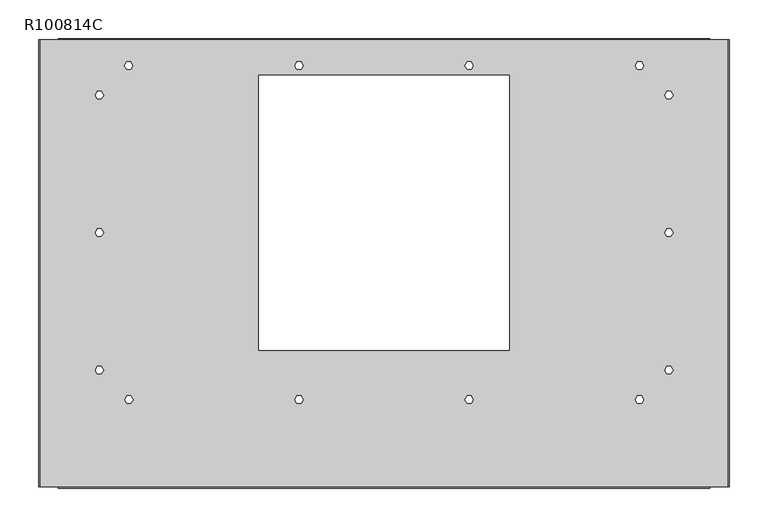
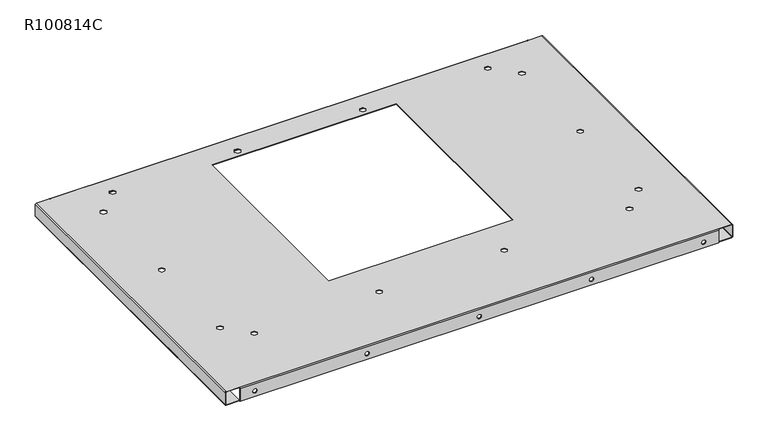
"""IFC4 building model written with IfcOpenShell, lengths in millimetres: proxy geometry, R100814C."""

from ifc_helpers import new_model, si_unit, frame, origin, place, context, project, spatial, polyline, circle_curve, source, transform, mapped, element, save
from ifc_brep_helpers import plane_surface, cylinder_surface, revolved_surface, advanced_brep


def r100814c_314beac8(model_context):
    return source(origin(), model_context, "Body", "AdvancedBrep", [
        advanced_brep(
        [(-0.5847769, -562.6175782, -14.38656), (-0.5847769, -561.7641382, -14.38656), (-7.8237769, -561.7641382, -14.38656), (-7.8237769, -562.6175782, -14.38656), (394.3852231, -562.6175782, -14.38656), (394.3852231, -561.7641382, -14.38656), (387.1462231, -561.7641382, -14.38656), (387.1462231, -562.6175782, -14.38656), (789.3552231, -562.6175782, -14.38656), (789.3552231, -561.7641382, -14.38656), (782.1162231, -561.7641382, -14.38656), (782.1162231, -562.6175782, -14.38656), (591.8702231, -562.6175782, -14.38656), (591.8702231, -561.7641382, -14.38656), (584.6312231, -561.7641382, -14.38656), (584.6312231, -562.6175782, -14.38656), (196.9002231, -562.6175782, -14.38656), (196.9002231, -561.7641382, -14.38656), (189.6612231, -561.7641382, -14.38656), (189.6612231, -562.6175782, -14.38656), (503.6573737, -20.9498782, 0.85344), (506.4070044, -16.1873782, 0.85344), (506.4070044, -16.1873782, 0.0), (503.6573737, -20.9498782, 0.0), (503.6573737, -11.4248782, 0.85344), (503.6573737, -11.4248782, 0.0), (498.1581124, -11.4248782, 0.85344), (498.1581124, -11.4248782, 0.0), (495.4084818, -16.1873782, 0.85344), (495.4084818, -16.1873782, 0.0), (498.1581124, -20.9498782, 0.85344), (498.1581124, -20.9498782, 0.0), (761.8915537, -59.0498782, 0.85344), (764.6411844, -54.2873782, 0.85344), (764.6411844, -54.2873782, 0.0), (761.8915537, -59.0498782, 0.0), (761.8915537, -49.5248782, 0.85344), (761.8915537, -49.5248782, 0.0), (756.3922924, -49.5248782, 0.85344), (756.3922924, -49.5248782, 0.0), (753.6426618, -54.2873782, 0.85344), (753.6426618, -54.2873782, 0.0), (756.3922924, -59.0498782, 0.85344), (756.3922924, -59.0498782, 0.0), (761.8915537, -414.6498782, 0.85344), (764.6411844, -409.8873782, 0.85344), (764.6411844, -409.8873782, 0.0), (761.8915537, -414.6498782, 0.0), (761.8915537, -405.1248782, 0.85344), (761.8915537, -405.1248782, 0.0), (756.3922924, -405.1248782, 0.85344), (756.3922924, -405.1248782, 0.0), (753.6426618, -409.8873782, 0.85344), (753.6426618, -409.8873782, 0.0), (756.3922924, -414.6498782, 0.85344), (756.3922924, -414.6498782, 0.0), (503.7081737, -452.7498782, 0.85344), (506.4578044, -447.9873782, 0.85344), (506.4578044, -447.9873782, 0.0), (503.7081737, -452.7498782, 0.0), (503.7081737, -443.2248782, 0.85344), (503.7081737, -443.2248782, 0.0), (498.2089124, -443.2248782, 0.85344), (498.2089124, -443.2248782, 0.0), (495.4592818, -447.9873782, 0.85344), (495.4592818, -447.9873782, 0.0), (498.2089124, -452.7498782, 0.85344), (498.2089124, -452.7498782, 0.0), (63.4423537, -452.7498782, 0.85344), (66.1919844, -447.9873782, 0.85344), (66.1919844, -447.9873782, 0.0), (63.4423537, -452.7498782, 0.0), (63.4423537, -443.2248782, 0.85344), (63.4423537, -443.2248782, 0.0), (57.9430924, -443.2248782, 0.85344), (57.9430924, -443.2248782, 0.0), (55.1934618, -447.9873782, 0.85344), (55.1934618, -447.9873782, 0.0), (57.9430924, -452.7498782, 0.85344), (57.9430924, -452.7498782, 0.0), (25.2915537, -236.8498782, 0.85344), (28.0411844, -232.0873782, 0.85344), (28.0411844, -232.0873782, 0.0), (25.2915537, -236.8498782, 0.0), (25.2915537, -227.3248782, 0.85344), (25.2915537, -227.3248782, 0.0), (19.7922924, -227.3248782, 0.85344), (19.7922924, -227.3248782, 0.0), (17.0426618, -232.0873782, 0.85344), (17.0426618, -232.0873782, 0.0), (19.7922924, -236.8498782, 0.85344), (19.7922924, -236.8498782, 0.0), (63.3915537, -20.9498782, 0.85344), (66.1411844, -16.1873782, 0.85344), (66.1411844, -16.1873782, 0.0), (63.3915537, -20.9498782, 0.0), (63.3915537, -11.4248782, 0.85344), (63.3915537, -11.4248782, 0.0), (57.8922924, -11.4248782, 0.85344), (57.8922924, -11.4248782, 0.0), (55.1426618, -16.1873782, 0.85344), (55.1426618, -16.1873782, 0.0), (57.8922924, -20.9498782, 0.85344), (57.8922924, -20.9498782, 0.0), (25.2915537, -59.0498782, 0.85344), (28.0411844, -54.2873782, 0.85344), (28.0411844, -54.2873782, 0.0), (25.2915537, -59.0498782, 0.0), (25.2915537, -49.5248782, 0.85344), (25.2915537, -49.5248782, 0.0), (19.7922924, -49.5248782, 0.85344), (19.7922924, -49.5248782, 0.0), (17.0426618, -54.2873782, 0.85344), (17.0426618, -54.2873782, 0.0), (19.7922924, -59.0498782, 0.85344), (19.7922924, -59.0498782, 0.0), (25.2915537, -414.6498782, 0.85344), (28.0411844, -409.8873782, 0.85344), (28.0411844, -409.8873782, 0.0), (25.2915537, -414.6498782, 0.0), (25.2915537, -405.1248782, 0.85344), (25.2915537, -405.1248782, 0.0), (19.7922924, -405.1248782, 0.85344), (19.7922924, -405.1248782, 0.0), (17.0426618, -409.8873782, 0.85344), (17.0426618, -409.8873782, 0.0), (19.7922924, -414.6498782, 0.85344), (19.7922924, -414.6498782, 0.0), (283.5739937, -452.7498782, 0.85344), (286.3236244, -447.9873782, 0.85344), (286.3236244, -447.9873782, 0.0), (283.5739937, -452.7498782, 0.0), (283.5739937, -443.2248782, 0.85344), (283.5739937, -443.2248782, 0.0), (278.0747324, -443.2248782, 0.85344), (278.0747324, -443.2248782, 0.0), (275.3251018, -447.9873782, 0.85344), (275.3251018, -447.9873782, 0.0), (278.0747324, -452.7498782, 0.85344), (278.0747324, -452.7498782, 0.0), (723.8423537, -452.7498782, 0.85344), (726.5919844, -447.9873782, 0.85344), (726.5919844, -447.9873782, 0.0), (723.8423537, -452.7498782, 0.0), (723.8423537, -443.2248782, 0.85344), (723.8423537, -443.2248782, 0.0), (718.3430924, -443.2248782, 0.85344), (718.3430924, -443.2248782, 0.0), (715.5934618, -447.9873782, 0.85344), (715.5934618, -447.9873782, 0.0), (718.3430924, -452.7498782, 0.85344), (718.3430924, -452.7498782, 0.0), (761.8915537, -236.8498782, 0.85344), (764.6411844, -232.0873782, 0.85344), (764.6411844, -232.0873782, 0.0), (761.8915537, -236.8498782, 0.0), (761.8915537, -227.3248782, 0.85344), (761.8915537, -227.3248782, 0.0), (756.3922924, -227.3248782, 0.85344), (756.3922924, -227.3248782, 0.0), (753.6426618, -232.0873782, 0.85344), (753.6426618, -232.0873782, 0.0), (756.3922924, -236.8498782, 0.85344), (756.3922924, -236.8498782, 0.0), (723.7915537, -20.9498782, 0.85344), (726.5411844, -16.1873782, 0.85344), (726.5411844, -16.1873782, 0.0), (723.7915537, -20.9498782, 0.0), (723.7915537, -11.4248782, 0.85344), (723.7915537, -11.4248782, 0.0), (718.2922924, -11.4248782, 0.85344), (718.2922924, -11.4248782, 0.0), (715.5426618, -16.1873782, 0.85344), (715.5426618, -16.1873782, 0.0), (718.2922924, -20.9498782, 0.85344), (718.2922924, -20.9498782, 0.0), (283.5231937, -20.9498782, 0.85344), (286.2728244, -16.1873782, 0.85344), (286.2728244, -16.1873782, 0.0), (283.5231937, -20.9498782, 0.0), (283.5231937, -11.4248782, 0.85344), (283.5231937, -11.4248782, 0.0), (278.0239324, -11.4248782, 0.85344), (278.0239324, -11.4248782, 0.0), (275.2743018, -16.1873782, 0.85344), (275.2743018, -16.1873782, 0.0), (278.0239324, -20.9498782, 0.85344), (278.0239324, -20.9498782, 0.0), (-54.1355969, 17.0307418, -24.54656), (-54.1355969, -560.9106982, -24.54656), (-55.8424769, -560.9106982, -22.83968), (-55.8424769, 17.0307418, -22.83968), (-54.1355969, 17.0307418, -23.69312), (-30.4424769, 17.0307418, -23.69312), (-30.4424769, 17.0307418, -24.54656), (-54.1355969, -560.9106982, -23.69312), (-30.4424769, -560.9106982, -23.69312), (-54.9890369, -560.9106982, -22.83968), (-54.9890369, 17.0307418, -22.83968), (-30.4424769, -560.9106982, -24.54656), (835.6670431, -560.9106982, -24.54656), (835.6670431, 17.0307418, -24.54656), (837.3739231, 17.0307418, -22.83968), (837.3739231, -560.9106982, -22.83968), (835.6670431, -560.9106982, -23.69312), (811.9739231, -560.9106982, -23.69312), (811.9739231, -560.9106982, -24.54656), (835.6670431, 17.0307418, -23.69312), (811.9739231, 17.0307418, -23.69312), (836.5204831, 17.0307418, -22.83968), (836.5204831, -560.9106982, -22.83968), (811.9739231, 17.0307418, -24.54656), (-54.9890369, -560.9106982, -0.85344), (-55.8424769, -560.9106982, -0.85344), (-54.9890369, 17.0307418, -0.85344), (-55.8424769, 17.0307418, -0.85344), (836.5204831, 17.0307418, -0.85344), (837.3739231, 17.0307418, -0.85344), (836.5204831, -560.9106982, -0.85344), (837.3739231, -560.9106982, -0.85344), (835.6670431, 17.0307418, 0.85344), (835.6670431, -560.9106982, 0.85344), (835.6670431, 17.0307418, 0.0), (835.6670431, -560.9106982, 0.0), (-54.1355969, -560.9106982, 0.85344), (-54.1355969, 17.0307418, 0.85344), (-54.1355969, -560.9106982, 0.0), (-54.1355969, 17.0307418, 0.0), (811.9739231, -560.9106982, 0.85344), (811.9739231, -560.9106982, 0.0), (-30.4424769, 17.0307418, 0.85344), (-30.4424769, 17.0307418, 0.0), (811.9739231, 17.0307418, 0.85344), (-30.4424769, -560.9106982, 0.85344), (552.6907231, -28.8873782, 0.85344), (552.6907231, -384.4873782, 0.85344), (228.8407231, -384.4873782, 0.85344), (228.8407231, -28.8873782, 0.85344), (811.9739231, -562.6175782, -0.85344), (811.9739231, -562.6175782, -24.54656), (811.9739231, -561.7641382, -24.54656), (811.9739231, -561.7641382, -0.85344), (-30.4424769, -562.6175782, -24.54656), (-30.4424769, -561.7641382, -24.54656), (-30.4424769, -562.6175782, -0.85344), (-30.4424769, -560.9106982, 0.0), (-30.4424769, -561.7641382, -0.85344), (-30.4424769, 18.7376218, -0.85344), (-30.4424769, 18.7376218, -24.54656), (-30.4424769, 17.8841818, -24.54656), (-30.4424769, 17.8841818, -0.85344), (811.9739231, 18.7376218, -24.54656), (811.9739231, 17.8841818, -24.54656), (811.9739231, 18.7376218, -0.85344), (811.9739231, 17.0307418, 0.0), (811.9739231, 17.8841818, -0.85344), (552.6907231, -28.8873782, 0.0), (552.6907231, -384.4873782, 0.0), (228.8407231, -384.4873782, 0.0), (228.8407231, -28.8873782, 0.0)],
        [
            (0, 1),
            (1, 2, circle_curve(frame((-4.2042769, -561.7641382, -14.38656), z_axis=(0.0, 1.0, 0.0), x_axis=(1.0, 0.0, 0.0)), 3.6195)),
            (2, 3),
            (3, 0, circle_curve(frame((-4.2042769, -562.6175782, -14.38656), z_axis=(0.0, -1.0, 0.0), x_axis=(1.0, 0.0, 0.0)), 3.6195)),
            (4, 5),
            (5, 6, circle_curve(frame((390.7657231, -561.7641382, -14.38656), z_axis=(0.0, 1.0, 0.0), x_axis=(1.0, 0.0, 0.0)), 3.6195)),
            (6, 7),
            (7, 4, circle_curve(frame((390.7657231, -562.6175782, -14.38656), z_axis=(0.0, -1.0, 0.0), x_axis=(1.0, 0.0, 0.0)), 3.6195)),
            (8, 9),
            (9, 10, circle_curve(frame((785.7357231, -561.7641382, -14.38656), z_axis=(0.0, 1.0, 0.0), x_axis=(1.0, 0.0, 0.0)), 3.6195)),
            (10, 11),
            (11, 8, circle_curve(frame((785.7357231, -562.6175782, -14.38656), z_axis=(0.0, -1.0, 0.0), x_axis=(1.0, 0.0, 0.0)), 3.6195)),
            (12, 13),
            (13, 14, circle_curve(frame((588.2507231, -561.7641382, -14.38656), z_axis=(0.0, 1.0, 0.0), x_axis=(1.0, 0.0, 0.0)), 3.6195)),
            (14, 15),
            (15, 12, circle_curve(frame((588.2507231, -562.6175782, -14.38656), z_axis=(0.0, -1.0, 0.0), x_axis=(1.0, 0.0, 0.0)), 3.6195)),
            (16, 17),
            (17, 18, circle_curve(frame((193.2807231, -561.7641382, -14.38656), z_axis=(0.0, 1.0, 0.0), x_axis=(1.0, 0.0, 0.0)), 3.6195)),
            (18, 19),
            (19, 16, circle_curve(frame((193.2807231, -562.6175782, -14.38656), z_axis=(0.0, -1.0, 0.0), x_axis=(1.0, 0.0, 0.0)), 3.6195)),
            (20, 21),
            (21, 22),
            (22, 23),
            (23, 20),
            (21, 24),
            (24, 25),
            (25, 22),
            (24, 26),
            (26, 27),
            (27, 25),
            (26, 28),
            (28, 29),
            (29, 27),
            (28, 30),
            (30, 31),
            (31, 29),
            (30, 20),
            (23, 31),
            (32, 33),
            (33, 34),
            (34, 35),
            (35, 32),
            (33, 36),
            (36, 37),
            (37, 34),
            (36, 38),
            (38, 39),
            (39, 37),
            (38, 40),
            (40, 41),
            (41, 39),
            (40, 42),
            (42, 43),
            (43, 41),
            (42, 32),
            (35, 43),
            (44, 45),
            (45, 46),
            (46, 47),
            (47, 44),
            (45, 48),
            (48, 49),
            (49, 46),
            (48, 50),
            (50, 51),
            (51, 49),
            (50, 52),
            (52, 53),
            (53, 51),
            (52, 54),
            (54, 55),
            (55, 53),
            (54, 44),
            (47, 55),
            (56, 57),
            (57, 58),
            (58, 59),
            (59, 56),
            (57, 60),
            (60, 61),
            (61, 58),
            (60, 62),
            (62, 63),
            (63, 61),
            (62, 64),
            (64, 65),
            (65, 63),
            (64, 66),
            (66, 67),
            (67, 65),
            (66, 56),
            (59, 67),
            (68, 69),
            (69, 70),
            (70, 71),
            (71, 68),
            (69, 72),
            (72, 73),
            (73, 70),
            (72, 74),
            (74, 75),
            (75, 73),
            (74, 76),
            (76, 77),
            (77, 75),
            (76, 78),
            (78, 79),
            (79, 77),
            (78, 68),
            (71, 79),
            (80, 81),
            (81, 82),
            (82, 83),
            (83, 80),
            (81, 84),
            (84, 85),
            (85, 82),
            (84, 86),
            (86, 87),
            (87, 85),
            (86, 88),
            (88, 89),
            (89, 87),
            (88, 90),
            (90, 91),
            (91, 89),
            (90, 80),
            (83, 91),
            (92, 93),
            (93, 94),
            (94, 95),
            (95, 92),
            (93, 96),
            (96, 97),
            (97, 94),
            (96, 98),
            (98, 99),
            (99, 97),
            (98, 100),
            (100, 101),
            (101, 99),
            (100, 102),
            (102, 103),
            (103, 101),
            (102, 92),
            (95, 103),
            (104, 105),
            (105, 106),
            (106, 107),
            (107, 104),
            (105, 108),
            (108, 109),
            (109, 106),
            (108, 110),
            (110, 111),
            (111, 109),
            (110, 112),
            (112, 113),
            (113, 111),
            (112, 114),
            (114, 115),
            (115, 113),
            (114, 104),
            (107, 115),
            (116, 117),
            (117, 118),
            (118, 119),
            (119, 116),
            (117, 120),
            (120, 121),
            (121, 118),
            (120, 122),
            (122, 123),
            (123, 121),
            (122, 124),
            (124, 125),
            (125, 123),
            (124, 126),
            (126, 127),
            (127, 125),
            (126, 116),
            (119, 127),
            (128, 129),
            (129, 130),
            (130, 131),
            (131, 128),
            (129, 132),
            (132, 133),
            (133, 130),
            (132, 134),
            (134, 135),
            (135, 133),
            (134, 136),
            (136, 137),
            (137, 135),
            (136, 138),
            (138, 139),
            (139, 137),
            (138, 128),
            (131, 139),
            (140, 141),
            (141, 142),
            (142, 143),
            (143, 140),
            (141, 144),
            (144, 145),
            (145, 142),
            (144, 146),
            (146, 147),
            (147, 145),
            (146, 148),
            (148, 149),
            (149, 147),
            (148, 150),
            (150, 151),
            (151, 149),
            (150, 140),
            (143, 151),
            (152, 153),
            (153, 154),
            (154, 155),
            (155, 152),
            (153, 156),
            (156, 157),
            (157, 154),
            (156, 158),
            (158, 159),
            (159, 157),
            (158, 160),
            (160, 161),
            (161, 159),
            (160, 162),
            (162, 163),
            (163, 161),
            (162, 152),
            (155, 163),
            (164, 165),
            (165, 166),
            (166, 167),
            (167, 164),
            (165, 168),
            (168, 169),
            (169, 166),
            (168, 170),
            (170, 171),
            (171, 169),
            (170, 172),
            (172, 173),
            (173, 171),
            (172, 174),
            (174, 175),
            (175, 173),
            (174, 164),
            (167, 175),
            (176, 177),
            (177, 178),
            (178, 179),
            (179, 176),
            (177, 180),
            (180, 181),
            (181, 178),
            (180, 182),
            (182, 183),
            (183, 181),
            (182, 184),
            (184, 185),
            (185, 183),
            (184, 186),
            (186, 187),
            (187, 185),
            (186, 176),
            (179, 187),
            (16, 19, circle_curve(frame((193.2807231, -562.6175782, -14.38656), z_axis=(0.0, -1.0, 0.0), x_axis=(1.0, 0.0, 0.0)), 3.6195)),
            (18, 17, circle_curve(frame((193.2807231, -561.7641382, -14.38656), z_axis=(0.0, 1.0, 0.0), x_axis=(1.0, 0.0, 0.0)), 3.6195)),
            (12, 15, circle_curve(frame((588.2507231, -562.6175782, -14.38656), z_axis=(0.0, -1.0, 0.0), x_axis=(1.0, 0.0, 0.0)), 3.6195)),
            (14, 13, circle_curve(frame((588.2507231, -561.7641382, -14.38656), z_axis=(0.0, 1.0, 0.0), x_axis=(1.0, 0.0, 0.0)), 3.6195)),
            (8, 11, circle_curve(frame((785.7357231, -562.6175782, -14.38656), z_axis=(0.0, -1.0, 0.0), x_axis=(1.0, 0.0, 0.0)), 3.6195)),
            (10, 9, circle_curve(frame((785.7357231, -561.7641382, -14.38656), z_axis=(0.0, 1.0, 0.0), x_axis=(1.0, 0.0, 0.0)), 3.6195)),
            (4, 7, circle_curve(frame((390.7657231, -562.6175782, -14.38656), z_axis=(0.0, -1.0, 0.0), x_axis=(1.0, 0.0, 0.0)), 3.6195)),
            (6, 5, circle_curve(frame((390.7657231, -561.7641382, -14.38656), z_axis=(0.0, 1.0, 0.0), x_axis=(1.0, 0.0, 0.0)), 3.6195)),
            (0, 3, circle_curve(frame((-4.2042769, -562.6175782, -14.38656), z_axis=(0.0, -1.0, 0.0), x_axis=(1.0, 0.0, 0.0)), 3.6195)),
            (2, 1, circle_curve(frame((-4.2042769, -561.7641382, -14.38656), z_axis=(0.0, 1.0, 0.0), x_axis=(1.0, 0.0, 0.0)), 3.6195)),
            (188, 189),
            (189, 190, circle_curve(frame((-54.1355969, -560.9106982, -22.83968), z_axis=(0.0, 1.0, 0.0), x_axis=(-1.0, 0.0, 0.0)), 1.70688)),
            (190, 191),
            (191, 188, circle_curve(frame((-54.1355969, 17.0307418, -22.83968), z_axis=(0.0, -1.0, 0.0), x_axis=(-1.0, 0.0, 0.0)), 1.70688)),
            (188, 192),
            (192, 193),
            (193, 194),
            (194, 188),
            (192, 195),
            (195, 196),
            (196, 193),
            (189, 195),
            (195, 197, circle_curve(frame((-54.1355969, -560.9106982, -22.83968), z_axis=(0.0, 1.0, 0.0), x_axis=(-1.0, 0.0, 0.0)), 0.85344)),
            (197, 190),
            (191, 198),
            (198, 192, circle_curve(frame((-54.1355969, 17.0307418, -22.83968), z_axis=(0.0, -1.0, 0.0), x_axis=(-1.0, 0.0, 0.0)), 0.85344)),
            (189, 199),
            (199, 196),
            (199, 194),
            (198, 197),
            (200, 201),
            (201, 202, circle_curve(frame((835.6670431, 17.0307418, -22.83968), z_axis=(0.0, -1.0, 0.0), x_axis=(1.0, 0.0, 0.0)), 1.70688)),
            (202, 203),
            (203, 200, circle_curve(frame((835.6670431, -560.9106982, -22.83968), z_axis=(0.0, 1.0, 0.0), x_axis=(1.0, 0.0, 0.0)), 1.70688)),
            (200, 204),
            (204, 205),
            (205, 206),
            (206, 200),
            (204, 207),
            (207, 208),
            (208, 205),
            (201, 207),
            (207, 209, circle_curve(frame((835.6670431, 17.0307418, -22.83968), z_axis=(0.0, -1.0, 0.0), x_axis=(1.0, 0.0, 0.0)), 0.85344)),
            (209, 202),
            (203, 210),
            (210, 204, circle_curve(frame((835.6670431, -560.9106982, -22.83968), z_axis=(0.0, 1.0, 0.0), x_axis=(1.0, 0.0, 0.0)), 0.85344)),
            (201, 211),
            (211, 208),
            (211, 206),
            (210, 209),
            (197, 212),
            (212, 213),
            (213, 190),
            (198, 214),
            (214, 212),
            (191, 215),
            (215, 214),
            (209, 216),
            (216, 217),
            (217, 202),
            (210, 218),
            (218, 216),
            (203, 219),
            (219, 218),
            (219, 217),
            (217, 220, circle_curve(frame((835.6670431, 17.0307418, -0.85344), z_axis=(0.0, -1.0, 0.0), x_axis=(0.0, 0.0, 1.0)), 1.70688)),
            (220, 221),
            (221, 219, circle_curve(frame((835.6670431, -560.9106982, -0.85344), z_axis=(0.0, 1.0, 0.0), x_axis=(0.0, 0.0, 1.0)), 1.70688)),
            (216, 222, circle_curve(frame((835.6670431, 17.0307418, -0.85344), z_axis=(0.0, -1.0, 0.0), x_axis=(0.0, 0.0, 1.0)), 0.85344)),
            (222, 220),
            (221, 223),
            (223, 218, circle_curve(frame((835.6670431, -560.9106982, -0.85344), z_axis=(0.0, 1.0, 0.0), x_axis=(0.0, 0.0, 1.0)), 0.85344)),
            (223, 222),
            (215, 213),
            (213, 224, circle_curve(frame((-54.1355969, -560.9106982, -0.85344), z_axis=(0.0, 1.0, 0.0), x_axis=(0.0, 0.0, 1.0)), 1.70688)),
            (224, 225),
            (225, 215, circle_curve(frame((-54.1355969, 17.0307418, -0.85344), z_axis=(0.0, -1.0, 0.0), x_axis=(0.0, 0.0, 1.0)), 1.70688)),
            (212, 226, circle_curve(frame((-54.1355969, -560.9106982, -0.85344), z_axis=(0.0, 1.0, 0.0), x_axis=(0.0, 0.0, 1.0)), 0.85344)),
            (226, 224),
            (225, 227),
            (227, 214, circle_curve(frame((-54.1355969, 17.0307418, -0.85344), z_axis=(0.0, -1.0, 0.0), x_axis=(0.0, 0.0, 1.0)), 0.85344)),
            (227, 226),
            (221, 228),
            (228, 229),
            (229, 223),
            (225, 230),
            (230, 231),
            (231, 227),
            (220, 232),
            (232, 230),
            (224, 233),
            (233, 228),
            (234, 235),
            (235, 236),
            (236, 237),
            (237, 234),
            (228, 238, circle_curve(frame((811.9739231, -560.9106982, -0.85344), z_axis=(1.0, 0.0, 0.0), x_axis=(0.0, 0.0, 1.0)), 1.70688)),
            (238, 239),
            (239, 240),
            (240, 241),
            (241, 229, circle_curve(frame((811.9739231, -560.9106982, -0.85344), z_axis=(-1.0, 0.0, 0.0), x_axis=(0.0, 0.0, 1.0)), 0.85344)),
            (239, 242),
            (242, 243),
            (243, 240),
            (238, 244),
            (244, 242),
            (233, 244, circle_curve(frame((-30.4424769, -560.9106982, -0.85344), z_axis=(1.0, 0.0, 0.0), x_axis=(0.0, 0.0, 1.0)), 1.70688)),
            (226, 245),
            (245, 233),
            (245, 246, circle_curve(frame((-30.4424769, -560.9106982, -0.85344), z_axis=(1.0, 0.0, 0.0), x_axis=(0.0, 0.0, 1.0)), 0.85344)),
            (246, 243),
            (241, 246),
            (245, 229),
            (230, 247, circle_curve(frame((-30.4424769, 17.0307418, -0.85344), z_axis=(-1.0, 0.0, 0.0), x_axis=(0.0, 0.0, 1.0)), 1.70688)),
            (247, 248),
            (248, 249),
            (249, 250),
            (250, 231, circle_curve(frame((-30.4424769, 17.0307418, -0.85344), z_axis=(1.0, 0.0, 0.0), x_axis=(0.0, 0.0, 1.0)), 0.85344)),
            (248, 251),
            (251, 252),
            (252, 249),
            (247, 253),
            (253, 251),
            (232, 253, circle_curve(frame((811.9739231, 17.0307418, -0.85344), z_axis=(-1.0, 0.0, 0.0), x_axis=(0.0, 0.0, 1.0)), 1.70688)),
            (222, 254),
            (254, 232),
            (254, 255, circle_curve(frame((811.9739231, 17.0307418, -0.85344), z_axis=(-1.0, 0.0, 0.0), x_axis=(0.0, 0.0, 1.0)), 0.85344)),
            (255, 252),
            (250, 255),
            (254, 231),
            (234, 256),
            (256, 257),
            (257, 235),
            (257, 258),
            (258, 236),
            (258, 259),
            (259, 237),
            (259, 256),
        ],
        [
            revolved_surface(polyline([(-0.5847769, -561.7641382, -14.38656), (-0.5847769, -562.6175782, -14.38656)]), (-4.2042769, -562.1908582, -14.38656), (0.0, 1.0, 0.0)),
            revolved_surface(polyline([(394.3852231, -561.7641382, -14.38656), (394.3852231, -562.6175782, -14.38656)]), (390.7657231, -562.1908582, -14.38656), (0.0, 1.0, 0.0)),
            revolved_surface(polyline([(789.3552231, -561.7641382, -14.38656), (789.3552231, -562.6175782, -14.38656)]), (785.7357231, -562.1908582, -14.38656), (0.0, 1.0, 0.0)),
            revolved_surface(polyline([(591.8702231, -561.7641382, -14.38656), (591.8702231, -562.6175782, -14.38656)]), (588.2507231, -562.1908582, -14.38656), (0.0, 1.0, 0.0)),
            revolved_surface(polyline([(196.90022309999998, -561.7641382, -14.38656), (196.90022309999998, -562.6175782, -14.38656)]), (193.2807231, -562.1908582, -14.38656), (0.0, 1.0, 0.0)),
            plane_surface(frame((506.4070044, -16.1873782, 0.85344), z_axis=(-0.8660254037844409, 0.49999999999999617, 0.0), x_axis=(-0.49999999999999617, -0.8660254037844409, 0.0))),
            plane_surface(frame((503.6573737, -11.4248782, 0.85344), z_axis=(-0.8660254037844412, -0.4999999999999958, 0.0), x_axis=(0.4999999999999958, -0.8660254037844412, 0.0))),
            plane_surface(frame((498.1581124, -11.4248782, 0.85344), z_axis=(0.0, -1.0, 0.0), x_axis=(1.0, 0.0, 0.0))),
            plane_surface(frame((495.4084818, -16.1873782, 0.85344), z_axis=(0.8660254037844412, -0.4999999999999958, 0.0), x_axis=(0.4999999999999958, 0.8660254037844412, 0.0))),
            plane_surface(frame((498.1581124, -20.9498782, 0.85344), z_axis=(0.8660254037844412, 0.4999999999999958, 0.0), x_axis=(-0.4999999999999958, 0.8660254037844412, 0.0))),
            plane_surface(frame((503.6573737, -20.9498782, 0.85344), z_axis=(0.0, 1.0, 0.0), x_axis=(-1.0, 0.0, 0.0))),
            plane_surface(frame((764.6411844, -54.2873782, 0.85344), z_axis=(-0.8660254037844299, 0.5000000000000152, 0.0), x_axis=(-0.5000000000000152, -0.8660254037844299, 0.0))),
            plane_surface(frame((761.8915537, -49.5248782, 0.85344), z_axis=(-0.8660254037844407, -0.4999999999999964, 0.0), x_axis=(0.4999999999999964, -0.8660254037844407, 0.0))),
            plane_surface(frame((756.3922924, -49.5248782, 0.85344), z_axis=(0.0, -1.0, 0.0), x_axis=(1.0, 0.0, 0.0))),
            plane_surface(frame((753.6426618, -54.2873782, 0.85344), z_axis=(0.8660254037844412, -0.4999999999999958, 0.0), x_axis=(0.4999999999999958, 0.8660254037844412, 0.0))),
            plane_surface(frame((756.3922924, -59.0498782, 0.85344), z_axis=(0.8660254037844412, 0.4999999999999958, 0.0), x_axis=(-0.4999999999999958, 0.8660254037844412, 0.0))),
            plane_surface(frame((761.8915537, -59.0498782, 0.85344), z_axis=(0.0, 1.0, 0.0), x_axis=(-1.0, 0.0, 0.0))),
            plane_surface(frame((764.6411844, -409.8873782, 0.85344), z_axis=(-0.8660254037844303, 0.5000000000000145, 0.0), x_axis=(-0.5000000000000145, -0.8660254037844303, 0.0))),
            plane_surface(frame((761.8915537, -405.1248782, 0.85344), z_axis=(-0.8660254037844416, -0.49999999999999506, 0.0), x_axis=(0.49999999999999506, -0.8660254037844416, 0.0))),
            plane_surface(frame((756.3922924, -405.1248782, 0.85344), z_axis=(0.0, -1.0, 0.0), x_axis=(1.0, 0.0, 0.0))),
            plane_surface(frame((753.6426618, -409.8873782, 0.85344), z_axis=(0.8660254037844416, -0.49999999999999506, 0.0), x_axis=(0.49999999999999506, 0.8660254037844416, 0.0))),
            plane_surface(frame((756.3922924, -414.6498782, 0.85344), z_axis=(0.8660254037844416, 0.49999999999999506, 0.0), x_axis=(-0.49999999999999506, 0.8660254037844416, 0.0))),
            plane_surface(frame((761.8915537, -414.6498782, 0.85344), z_axis=(0.0, 1.0, 0.0), x_axis=(-1.0, 0.0, 0.0))),
            plane_surface(frame((506.4578044, -447.9873782, 0.85344), z_axis=(-0.8660254037844416, 0.49999999999999506, 0.0), x_axis=(-0.49999999999999506, -0.8660254037844416, 0.0))),
            plane_surface(frame((503.7081737, -443.2248782, 0.85344), z_axis=(-0.8660254037844416, -0.49999999999999506, 0.0), x_axis=(0.49999999999999506, -0.8660254037844416, 0.0))),
            plane_surface(frame((498.2089124, -443.2248782, 0.85344), z_axis=(0.0, -1.0, 0.0), x_axis=(1.0, 0.0, 0.0))),
            plane_surface(frame((495.4592818, -447.9873782, 0.85344), z_axis=(0.8660254037844416, -0.49999999999999506, 0.0), x_axis=(0.49999999999999506, 0.8660254037844416, 0.0))),
            plane_surface(frame((498.2089124, -452.7498782, 0.85344), z_axis=(0.8660254037844416, 0.49999999999999506, 0.0), x_axis=(-0.49999999999999506, 0.8660254037844416, 0.0))),
            plane_surface(frame((503.7081737, -452.7498782, 0.85344), z_axis=(0.0, 1.0, 0.0), x_axis=(-1.0, 0.0, 0.0))),
            plane_surface(frame((66.1919844, -447.9873782, 0.85344), z_axis=(-0.8660254037844387, 0.4999999999999999, 0.0), x_axis=(-0.4999999999999999, -0.8660254037844387, 0.0))),
            plane_surface(frame((63.4423537, -443.2248782, 0.85344), z_axis=(-0.8660254037844395, -0.4999999999999987, 0.0), x_axis=(0.4999999999999987, -0.8660254037844395, 0.0))),
            plane_surface(frame((57.9430924, -443.2248782, 0.85344), z_axis=(0.0, -1.0, 0.0), x_axis=(1.0, 0.0, 0.0))),
            plane_surface(frame((55.1934618, -447.9873782, 0.85344), z_axis=(0.8660254037844387, -0.4999999999999999, 0.0), x_axis=(0.4999999999999999, 0.8660254037844387, 0.0))),
            plane_surface(frame((57.9430924, -452.7498782, 0.85344), z_axis=(0.8660254037844387, 0.4999999999999999, 0.0), x_axis=(-0.4999999999999999, 0.8660254037844387, 0.0))),
            plane_surface(frame((63.4423537, -452.7498782, 0.85344), z_axis=(0.0, 1.0, 0.0), x_axis=(-1.0, 0.0, 0.0))),
            plane_surface(frame((28.0411844, -232.0873782, 0.85344), z_axis=(-0.8660254037844375, 0.5000000000000021, 0.0), x_axis=(-0.5000000000000021, -0.8660254037844375, 0.0))),
            plane_surface(frame((25.2915537, -227.3248782, 0.85344), z_axis=(-0.8660254037844395, -0.4999999999999987, 0.0), x_axis=(0.4999999999999987, -0.8660254037844395, 0.0))),
            plane_surface(frame((19.7922924, -227.3248782, 0.85344), z_axis=(0.0, -1.0, 0.0), x_axis=(1.0, 0.0, 0.0))),
            plane_surface(frame((17.0426618, -232.0873782, 0.85344), z_axis=(0.8660254037844387, -0.4999999999999999, 0.0), x_axis=(0.4999999999999999, 0.8660254037844387, 0.0))),
            plane_surface(frame((19.7922924, -236.8498782, 0.85344), z_axis=(0.8660254037844375, 0.5000000000000021, 0.0), x_axis=(-0.5000000000000021, 0.8660254037844375, 0.0))),
            plane_surface(frame((25.2915537, -236.8498782, 0.85344), z_axis=(0.0, 1.0, 0.0), x_axis=(-1.0, 0.0, 0.0))),
            plane_surface(frame((66.1411844, -16.1873782, 0.85344), z_axis=(-0.8660254037844388, 0.4999999999999998, 0.0), x_axis=(-0.4999999999999998, -0.8660254037844388, 0.0))),
            plane_surface(frame((63.3915537, -11.4248782, 0.85344), z_axis=(-0.866025403784439, -0.4999999999999994, 0.0), x_axis=(0.4999999999999994, -0.866025403784439, 0.0))),
            plane_surface(frame((57.8922924, -11.4248782, 0.85344), z_axis=(0.0, -1.0, 0.0), x_axis=(1.0, 0.0, 0.0))),
            plane_surface(frame((55.1426618, -16.1873782, 0.85344), z_axis=(0.8660254037844384, -0.5000000000000007, 0.0), x_axis=(0.5000000000000007, 0.8660254037844384, 0.0))),
            plane_surface(frame((57.8922924, -20.9498782, 0.85344), z_axis=(0.866025403784439, 0.4999999999999994, 0.0), x_axis=(-0.4999999999999994, 0.866025403784439, 0.0))),
            plane_surface(frame((63.3915537, -20.9498782, 0.85344), z_axis=(0.0, 1.0, 0.0), x_axis=(-1.0, 0.0, 0.0))),
            plane_surface(frame((28.0411844, -54.2873782, 0.85344), z_axis=(-0.8660254037844387, 0.5000000000000001, 0.0), x_axis=(-0.5000000000000001, -0.8660254037844387, 0.0))),
            plane_surface(frame((25.2915537, -49.5248782, 0.85344), z_axis=(-0.8660254037844386, -0.5000000000000001, 0.0), x_axis=(0.5000000000000001, -0.8660254037844386, 0.0))),
            plane_surface(frame((19.7922924, -49.5248782, 0.85344), z_axis=(0.0, -1.0, 0.0), x_axis=(1.0, 0.0, 0.0))),
            plane_surface(frame((17.0426618, -54.2873782, 0.85344), z_axis=(0.8660254037844384, -0.5000000000000007, 0.0), x_axis=(0.5000000000000007, 0.8660254037844384, 0.0))),
            plane_surface(frame((19.7922924, -59.0498782, 0.85344), z_axis=(0.8660254037844387, 0.5000000000000001, 0.0), x_axis=(-0.5000000000000001, 0.8660254037844387, 0.0))),
            plane_surface(frame((25.2915537, -59.0498782, 0.85344), z_axis=(0.0, 1.0, 0.0), x_axis=(-1.0, 0.0, 0.0))),
            plane_surface(frame((28.0411844, -409.8873782, 0.85344), z_axis=(-0.866025403784439, 0.4999999999999993, 0.0), x_axis=(-0.4999999999999993, -0.866025403784439, 0.0))),
            plane_surface(frame((25.2915537, -405.1248782, 0.85344), z_axis=(-0.8660254037844395, -0.4999999999999987, 0.0), x_axis=(0.4999999999999987, -0.8660254037844395, 0.0))),
            plane_surface(frame((19.7922924, -405.1248782, 0.85344), z_axis=(0.0, -1.0, 0.0), x_axis=(1.0, 0.0, 0.0))),
            plane_surface(frame((17.0426618, -409.8873782, 0.85344), z_axis=(0.8660254037844387, -0.4999999999999999, 0.0), x_axis=(0.4999999999999999, 0.8660254037844387, 0.0))),
            plane_surface(frame((19.7922924, -414.6498782, 0.85344), z_axis=(0.866025403784439, 0.4999999999999993, 0.0), x_axis=(-0.4999999999999993, 0.866025403784439, 0.0))),
            plane_surface(frame((25.2915537, -414.6498782, 0.85344), z_axis=(0.0, 1.0, 0.0), x_axis=(-1.0, 0.0, 0.0))),
            plane_surface(frame((286.3236244, -447.9873782, 0.85344), z_axis=(-0.8660254037844387, 0.4999999999999999, 0.0), x_axis=(-0.4999999999999999, -0.8660254037844387, 0.0))),
            plane_surface(frame((283.5739937, -443.2248782, 0.85344), z_axis=(-0.8660254037844387, -0.4999999999999999, 0.0), x_axis=(0.4999999999999999, -0.8660254037844387, 0.0))),
            plane_surface(frame((278.0747324, -443.2248782, 0.85344), z_axis=(0.0, -1.0, 0.0), x_axis=(1.0, 0.0, 0.0))),
            plane_surface(frame((275.3251018, -447.9873782, 0.85344), z_axis=(0.8660254037844387, -0.4999999999999999, 0.0), x_axis=(0.4999999999999999, 0.8660254037844387, 0.0))),
            plane_surface(frame((278.0747324, -452.7498782, 0.85344), z_axis=(0.8660254037844387, 0.4999999999999999, 0.0), x_axis=(-0.4999999999999999, 0.8660254037844387, 0.0))),
            plane_surface(frame((283.5739937, -452.7498782, 0.85344), z_axis=(0.0, 1.0, 0.0), x_axis=(-1.0, 0.0, 0.0))),
            plane_surface(frame((726.5919844, -447.9873782, 0.85344), z_axis=(-0.8660254037844303, 0.5000000000000145, 0.0), x_axis=(-0.5000000000000145, -0.8660254037844303, 0.0))),
            plane_surface(frame((723.8423537, -443.2248782, 0.85344), z_axis=(-0.8660254037844416, -0.49999999999999506, 0.0), x_axis=(0.49999999999999506, -0.8660254037844416, 0.0))),
            plane_surface(frame((718.3430924, -443.2248782, 0.85344), z_axis=(0.0, -1.0, 0.0), x_axis=(1.0, 0.0, 0.0))),
            plane_surface(frame((715.5934618, -447.9873782, 0.85344), z_axis=(0.8660254037844416, -0.49999999999999506, 0.0), x_axis=(0.49999999999999506, 0.8660254037844416, 0.0))),
            plane_surface(frame((718.3430924, -452.7498782, 0.85344), z_axis=(0.8660254037844416, 0.49999999999999506, 0.0), x_axis=(-0.49999999999999506, 0.8660254037844416, 0.0))),
            plane_surface(frame((723.8423537, -452.7498782, 0.85344), z_axis=(0.0, 1.0, 0.0), x_axis=(-1.0, 0.0, 0.0))),
            plane_surface(frame((764.6411844, -232.0873782, 0.85344), z_axis=(-0.8660254037844287, 0.5000000000000173, 0.0), x_axis=(-0.5000000000000173, -0.8660254037844287, 0.0))),
            plane_surface(frame((761.8915537, -227.3248782, 0.85344), z_axis=(-0.8660254037844303, -0.5000000000000145, 0.0), x_axis=(0.5000000000000145, -0.8660254037844303, 0.0))),
            plane_surface(frame((756.3922924, -227.3248782, 0.85344), z_axis=(0.0, -1.0, 0.0), x_axis=(1.0, 0.0, 0.0))),
            plane_surface(frame((753.6426618, -232.0873782, 0.85344), z_axis=(0.8660254037844416, -0.49999999999999506, 0.0), x_axis=(0.49999999999999506, 0.8660254037844416, 0.0))),
            plane_surface(frame((756.3922924, -236.8498782, 0.85344), z_axis=(0.8660254037844399, 0.4999999999999979, 0.0), x_axis=(-0.4999999999999979, 0.8660254037844399, 0.0))),
            plane_surface(frame((761.8915537, -236.8498782, 0.85344), z_axis=(0.0, 1.0, 0.0), x_axis=(-1.0, 0.0, 0.0))),
            plane_surface(frame((726.5411844, -16.1873782, 0.85344), z_axis=(-0.8660254037844297, 0.5000000000000155, 0.0), x_axis=(-0.5000000000000155, -0.8660254037844297, 0.0))),
            plane_surface(frame((723.7915537, -11.4248782, 0.85344), z_axis=(-0.8660254037844412, -0.4999999999999958, 0.0), x_axis=(0.4999999999999958, -0.8660254037844412, 0.0))),
            plane_surface(frame((718.2922924, -11.4248782, 0.85344), z_axis=(0.0, -1.0, 0.0), x_axis=(1.0, 0.0, 0.0))),
            plane_surface(frame((715.5426618, -16.1873782, 0.85344), z_axis=(0.8660254037844412, -0.4999999999999958, 0.0), x_axis=(0.4999999999999958, 0.8660254037844412, 0.0))),
            plane_surface(frame((718.2922924, -20.9498782, 0.85344), z_axis=(0.8660254037844412, 0.4999999999999958, 0.0), x_axis=(-0.4999999999999958, 0.8660254037844412, 0.0))),
            plane_surface(frame((723.7915537, -20.9498782, 0.85344), z_axis=(0.0, 1.0, 0.0), x_axis=(-1.0, 0.0, 0.0))),
            plane_surface(frame((286.2728244, -16.1873782, 0.85344), z_axis=(-0.8660254037844382, 0.500000000000001, 0.0), x_axis=(-0.500000000000001, -0.8660254037844382, 0.0))),
            plane_surface(frame((283.5231937, -11.4248782, 0.85344), z_axis=(-0.8660254037844384, -0.5000000000000007, 0.0), x_axis=(0.5000000000000007, -0.8660254037844384, 0.0))),
            plane_surface(frame((278.0239324, -11.4248782, 0.85344), z_axis=(0.0, -1.0, 0.0), x_axis=(1.0, 0.0, 0.0))),
            plane_surface(frame((275.2743018, -16.1873782, 0.85344), z_axis=(0.8660254037844384, -0.5000000000000007, 0.0), x_axis=(0.5000000000000007, 0.8660254037844384, 0.0))),
            plane_surface(frame((278.0239324, -20.9498782, 0.85344), z_axis=(0.8660254037844384, 0.5000000000000007, 0.0), x_axis=(-0.5000000000000007, 0.8660254037844384, 0.0))),
            plane_surface(frame((283.5231937, -20.9498782, 0.85344), z_axis=(0.0, 1.0, 0.0), x_axis=(-1.0, 0.0, 0.0))),
            cylinder_surface(frame((-54.1355969, -271.9399782, -22.83968), z_axis=(0.0, -1.0, 0.0), x_axis=(-1.0, 0.0, 0.0)), 1.70688),
            plane_surface(frame((-54.1355969, 17.0307418, -23.69312), z_axis=(0.0, 1.0, 0.0), x_axis=(-1.0, 0.0, 0.0))),
            plane_surface(frame((-43.2542548, -271.9399782, -23.69312), z_axis=(0.0, 0.0, 1.0), x_axis=(1.0, 0.0, 0.0))),
            plane_surface(frame((-54.1355969, -560.9106982, -23.69312), z_axis=(0.0, -1.0, 0.0), x_axis=(0.0, 0.0, -1.0))),
            plane_surface(frame((-54.1355969, 17.0307418, -24.54656), z_axis=(0.0, 1.0, 0.0), x_axis=(0.0, 0.0, 1.0))),
            plane_surface(frame((-54.1355969, -560.9106982, -23.69312), z_axis=(0.0, -1.0, 0.0), x_axis=(1.0, 0.0, 0.0))),
            plane_surface(frame((-30.4424769, -560.9106982, -23.69312), z_axis=(1.0, 0.0, 0.0), x_axis=(0.0, 0.0, -1.0))),
            plane_surface(frame((-43.2542548, -271.9399782, -24.54656), z_axis=(0.0, 0.0, -1.0), x_axis=(1.0, 0.0, 0.0))),
            revolved_surface(polyline([(-54.9890369, -560.9106982, -22.83968), (-54.9890369, 17.030741799999987, -22.83968)]), (-54.1355969, -271.9399782, -22.83968), (0.0, -1.0, 0.0)),
            cylinder_surface(frame((835.6670431, -271.9399782, -22.83968), z_axis=(0.0, 1.0, 0.0), x_axis=(1.0, 0.0, 0.0)), 1.70688),
            plane_surface(frame((835.6670431, -560.9106982, -23.69312), z_axis=(0.0, -1.0, 0.0), x_axis=(-1.0, 0.0, 0.0))),
            plane_surface(frame((824.785701, -271.9399782, -23.69312), z_axis=(0.0, 0.0, 1.0), x_axis=(-1.0, 0.0, 0.0))),
            plane_surface(frame((835.6670431, 17.0307418, -23.69312), z_axis=(0.0, 1.0, 0.0), x_axis=(0.0, 0.0, 1.0))),
            plane_surface(frame((835.6670431, -560.9106982, -24.54656), z_axis=(0.0, -1.0, 0.0), x_axis=(0.0, 0.0, -1.0))),
            plane_surface(frame((835.6670431, 17.0307418, -23.69312), z_axis=(0.0, 1.0, 0.0), x_axis=(1.0, 0.0, 0.0))),
            plane_surface(frame((811.9739231, 17.0307418, -23.69312), z_axis=(-1.0, 0.0, 0.0), x_axis=(0.0, 0.0, 1.0))),
            plane_surface(frame((824.785701, -271.9399782, -24.54656), z_axis=(0.0, 0.0, -1.0), x_axis=(-1.0, 0.0, 0.0))),
            revolved_surface(polyline([(836.5204831, 17.030741799999987, -22.83968), (836.5204831, -560.9106982, -22.83968)]), (835.6670431, -271.9399782, -22.83968), (0.0, 1.0, 0.0)),
            plane_surface(frame((-54.9890369, -560.9106982, -0.85344), z_axis=(0.0, -1.0, 0.0), x_axis=(1.0, 0.0, 0.0))),
            plane_surface(frame((-54.9890369, -271.9399782, -11.7347821), z_axis=(1.0, 0.0, 0.0), x_axis=(0.0, 0.0, 1.0))),
            plane_surface(frame((-54.9890369, 17.0307418, -0.85344), z_axis=(0.0, 1.0, 0.0), x_axis=(-1.0, 0.0, 0.0))),
            plane_surface(frame((836.5204831, 17.0307418, -0.85344), z_axis=(0.0, 1.0, 0.0), x_axis=(1.0, 0.0, 0.0))),
            plane_surface(frame((836.5204831, -271.9399782, -11.7347821), z_axis=(-1.0, 0.0, 0.0), x_axis=(0.0, 0.0, -1.0))),
            plane_surface(frame((836.5204831, -560.9106982, -0.85344), z_axis=(0.0, -1.0, 0.0), x_axis=(-1.0, 0.0, 0.0))),
            cylinder_surface(frame((835.6670431, -271.9399782, -0.85344), z_axis=(0.0, 1.0, 0.0), x_axis=(0.0, 0.0, 1.0)), 1.70688),
            plane_surface(frame((836.5204831, 17.0307418, -0.85344), z_axis=(0.0, 1.0, 0.0), x_axis=(0.0, 0.0, 1.0))),
            plane_surface(frame((837.3739231, -560.9106982, -0.85344), z_axis=(0.0, -1.0, 0.0), x_axis=(0.0, 0.0, -1.0))),
            plane_surface(frame((837.3739231, -271.9399782, -11.7347821), z_axis=(1.0, 0.0, 0.0), x_axis=(0.0, 0.0, -1.0))),
            revolved_surface(polyline([(835.6670431, 17.030741799999987, 0.0), (835.6670431, -560.9106982, 0.0)]), (835.6670431, -271.9399782, -0.85344), (0.0, 1.0, 0.0)),
            cylinder_surface(frame((-54.1355969, -271.9399782, -0.85344), z_axis=(0.0, -1.0, 0.0), x_axis=(0.0, 0.0, 1.0)), 1.70688),
            plane_surface(frame((-54.9890369, -560.9106982, -0.85344), z_axis=(0.0, -1.0, 0.0), x_axis=(0.0, 0.0, -1.0))),
            plane_surface(frame((-55.8424769, 17.0307418, -0.85344), z_axis=(0.0, 1.0, 0.0), x_axis=(0.0, 0.0, 1.0))),
            plane_surface(frame((-55.8424769, -271.9399782, -11.7347821), z_axis=(-1.0, 0.0, 0.0), x_axis=(0.0, 0.0, 1.0))),
            revolved_surface(polyline([(-54.1355969, -560.9106982, 0.0), (-54.1355969, 17.030741799999987, 0.0)]), (-54.1355969, -271.9399782, -0.85344), (0.0, -1.0, 0.0)),
            plane_surface(frame((837.3739231, -560.9106982, 0.85344), z_axis=(0.0, -1.0, 0.0), x_axis=(0.0, 0.0, -1.0))),
            plane_surface(frame((-55.8424769, 17.0307418, 0.85344), z_axis=(0.0, 1.0, 0.0), x_axis=(0.0, 0.0, -1.0))),
            plane_surface(frame((390.7657231, -271.9399782, 0.85344), z_axis=(0.0, 0.0, 1.0), x_axis=(1.0, 0.0, 0.0))),
            plane_surface(frame((811.9739231, -561.720298, -0.0438402), z_axis=(1.0, 0.0, 0.0), x_axis=(0.0, 0.0, -1.0))),
            plane_surface(frame((837.3739231, -561.7641382, -24.54656), z_axis=(0.0, 0.0, -1.0), x_axis=(0.0, 1.0, 0.0))),
            plane_surface(frame((390.7657231, -562.6175782, -11.7347821), z_axis=(0.0, -1.0, 0.0), x_axis=(1.0, 0.0, 0.0))),
            cylinder_surface(frame((390.7657231, -560.9106982, -0.85344), z_axis=(1.0, 0.0, 0.0), x_axis=(0.0, 0.0, 1.0)), 1.70688),
            plane_surface(frame((-55.8424769, -560.9106982, 0.0), z_axis=(0.0, -1.0, 0.0), x_axis=(0.0, 0.0, 1.0))),
            plane_surface(frame((-30.4424769, -561.720298, -0.0438402), z_axis=(-1.0, 0.0, 0.0), x_axis=(0.0, 0.0, -1.0))),
            revolved_surface(polyline([(811.9739231, -560.9106982, 0.0), (-30.442476899999974, -560.9106982, 0.0)]), (390.7657231, -560.9106982, -0.85344), (1.0, 0.0, 0.0)),
            plane_surface(frame((-30.4424769, 17.8403416, -0.0438402), z_axis=(-1.0, 0.0, 0.0), x_axis=(0.0, 0.0, -1.0))),
            plane_surface(frame((-55.8424769, 17.8841818, -24.54656), z_axis=(0.0, 0.0, -1.0), x_axis=(0.0, 1.0, 0.0))),
            plane_surface(frame((390.7657231, 18.7376218, -11.7347821), z_axis=(0.0, 1.0, 0.0), x_axis=(1.0, 0.0, 0.0))),
            cylinder_surface(frame((390.7657231, 17.0307418, -0.85344), z_axis=(-1.0, 0.0, 0.0), x_axis=(0.0, 0.0, 1.0)), 1.70688),
            plane_surface(frame((837.3739231, 17.0307418, 0.0), z_axis=(0.0, 1.0, 0.0), x_axis=(0.0, 0.0, 1.0))),
            plane_surface(frame((811.9739231, 17.8403416, -0.0438402), z_axis=(1.0, 0.0, 0.0), x_axis=(0.0, 0.0, -1.0))),
            revolved_surface(polyline([(-30.442476899999974, 17.0307418, 0.0), (811.9739231, 17.0307418, 0.0)]), (390.7657231, 17.0307418, -0.85344), (-1.0, 0.0, 0.0)),
            plane_surface(frame((390.7657231, 17.8841818, -11.7347821), z_axis=(0.0, -1.0, 0.0), x_axis=(1.0, 0.0, 0.0))),
            plane_surface(frame((390.7657231, -561.7641382, -11.7347821), z_axis=(0.0, 1.0, 0.0), x_axis=(1.0, 0.0, 0.0))),
            plane_surface(frame((552.6907231, -28.8873782, 0.0), z_axis=(-1.0, 0.0, 0.0), x_axis=(0.0, 0.0, -1.0))),
            plane_surface(frame((552.6907231, -384.4873782, 0.0), z_axis=(0.0, 1.0, 0.0), x_axis=(0.0, 0.0, -1.0))),
            plane_surface(frame((228.8407231, -384.4873782, 0.0), z_axis=(1.0, 0.0, 0.0), x_axis=(0.0, 0.0, 1.0))),
            plane_surface(frame((228.8407231, -28.8873782, 0.0), z_axis=(0.0, -1.0, 0.0), x_axis=(0.0, 0.0, 1.0))),
            plane_surface(frame((390.7657231, -271.9399782, 0.0), z_axis=(0.0, 0.0, -1.0), x_axis=(1.0, 0.0, 0.0))),
        ],
        [
            (0, [[1, 2, 3, 4]]),
            (1, [[5, 6, 7, 8]]),
            (2, [[9, 10, 11, 12]]),
            (3, [[13, 14, 15, 16]]),
            (4, [[17, 18, 19, 20]]),
            (5, [[21, 22, 23, 24]]),
            (6, [[25, 26, 27, -22]]),
            (7, [[28, 29, 30, -26]]),
            (8, [[31, 32, 33, -29]]),
            (9, [[34, 35, 36, -32]]),
            (10, [[37, -24, 38, -35]]),
            (11, [[39, 40, 41, 42]]),
            (12, [[43, 44, 45, -40]]),
            (13, [[46, 47, 48, -44]]),
            (14, [[49, 50, 51, -47]]),
            (15, [[52, 53, 54, -50]]),
            (16, [[55, -42, 56, -53]]),
            (17, [[57, 58, 59, 60]]),
            (18, [[61, 62, 63, -58]]),
            (19, [[64, 65, 66, -62]]),
            (20, [[67, 68, 69, -65]]),
            (21, [[70, 71, 72, -68]]),
            (22, [[73, -60, 74, -71]]),
            (23, [[75, 76, 77, 78]]),
            (24, [[79, 80, 81, -76]]),
            (25, [[82, 83, 84, -80]]),
            (26, [[85, 86, 87, -83]]),
            (27, [[88, 89, 90, -86]]),
            (28, [[91, -78, 92, -89]]),
            (29, [[93, 94, 95, 96]]),
            (30, [[97, 98, 99, -94]]),
            (31, [[100, 101, 102, -98]]),
            (32, [[103, 104, 105, -101]]),
            (33, [[106, 107, 108, -104]]),
            (34, [[109, -96, 110, -107]]),
            (35, [[111, 112, 113, 114]]),
            (36, [[115, 116, 117, -112]]),
            (37, [[118, 119, 120, -116]]),
            (38, [[121, 122, 123, -119]]),
            (39, [[124, 125, 126, -122]]),
            (40, [[127, -114, 128, -125]]),
            (41, [[129, 130, 131, 132]]),
            (42, [[133, 134, 135, -130]]),
            (43, [[136, 137, 138, -134]]),
            (44, [[139, 140, 141, -137]]),
            (45, [[142, 143, 144, -140]]),
            (46, [[145, -132, 146, -143]]),
            (47, [[147, 148, 149, 150]]),
            (48, [[151, 152, 153, -148]]),
            (49, [[154, 155, 156, -152]]),
            (50, [[157, 158, 159, -155]]),
            (51, [[160, 161, 162, -158]]),
            (52, [[163, -150, 164, -161]]),
            (53, [[165, 166, 167, 168]]),
            (54, [[169, 170, 171, -166]]),
            (55, [[172, 173, 174, -170]]),
            (56, [[175, 176, 177, -173]]),
            (57, [[178, 179, 180, -176]]),
            (58, [[181, -168, 182, -179]]),
            (59, [[183, 184, 185, 186]]),
            (60, [[187, 188, 189, -184]]),
            (61, [[190, 191, 192, -188]]),
            (62, [[193, 194, 195, -191]]),
            (63, [[196, 197, 198, -194]]),
            (64, [[199, -186, 200, -197]]),
            (65, [[201, 202, 203, 204]]),
            (66, [[205, 206, 207, -202]]),
            (67, [[208, 209, 210, -206]]),
            (68, [[211, 212, 213, -209]]),
            (69, [[214, 215, 216, -212]]),
            (70, [[217, -204, 218, -215]]),
            (71, [[219, 220, 221, 222]]),
            (72, [[223, 224, 225, -220]]),
            (73, [[226, 227, 228, -224]]),
            (74, [[229, 230, 231, -227]]),
            (75, [[232, 233, 234, -230]]),
            (76, [[235, -222, 236, -233]]),
            (77, [[237, 238, 239, 240]]),
            (78, [[241, 242, 243, -238]]),
            (79, [[244, 245, 246, -242]]),
            (80, [[247, 248, 249, -245]]),
            (81, [[250, 251, 252, -248]]),
            (82, [[253, -240, 254, -251]]),
            (83, [[255, 256, 257, 258]]),
            (84, [[259, 260, 261, -256]]),
            (85, [[262, 263, 264, -260]]),
            (86, [[265, 266, 267, -263]]),
            (87, [[268, 269, 270, -266]]),
            (88, [[271, -258, 272, -269]]),
            (4, [[-17, 273, -19, 274]]),
            (3, [[-13, 275, -15, 276]]),
            (2, [[-9, 277, -11, 278]]),
            (1, [[-5, 279, -7, 280]]),
            (0, [[-1, 281, -3, 282]]),
            (89, [[283, 284, 285, 286]]),
            (90, [[287, 288, 289, 290]]),
            (91, [[291, 292, 293, -288]]),
            (92, [[294, 295, 296, -284]]),
            (93, [[-287, -286, 297, 298]]),
            (94, [[-294, 299, 300, -292]]),
            (95, [[301, -289, -293, -300]]),
            (96, [[-283, -290, -301, -299]]),
            (97, [[-291, -298, 302, -295]]),
            (98, [[303, 304, 305, 306]]),
            (99, [[307, 308, 309, 310]]),
            (100, [[311, 312, 313, -308]]),
            (101, [[314, 315, 316, -304]]),
            (102, [[-307, -306, 317, 318]]),
            (103, [[-314, 319, 320, -312]]),
            (104, [[321, -309, -313, -320]]),
            (105, [[-303, -310, -321, -319]]),
            (106, [[-311, -318, 322, -315]]),
            (107, [[-296, 323, 324, 325]]),
            (108, [[-302, 326, 327, -323]]),
            (109, [[-297, 328, 329, -326]]),
            (110, [[-316, 330, 331, 332]]),
            (111, [[-322, 333, 334, -330]]),
            (112, [[-317, 335, 336, -333]]),
            (113, [[337, 338, 339, 340]]),
            (114, [[-331, 341, 342, -338]]),
            (115, [[-336, -340, 343, 344]]),
            (116, [[-305, -332, -337, -335]]),
            (117, [[-334, -344, 345, -341]]),
            (118, [[346, 347, 348, 349]]),
            (119, [[-324, 350, 351, -347]]),
            (120, [[-329, -349, 352, 353]]),
            (121, [[-285, -325, -346, -328]]),
            (122, [[-327, -353, 354, -350]]),
            (123, [[-343, 355, 356, 357]]),
            (124, [[-352, 358, 359, 360]]),
            (125, [[-339, 361, 362, -358, -348, 363, 364, -355], [-21, -37, -34, -31, -28, -25], [-39, -55, -52, -49, -46, -43], [-57, -73, -70, -67, -64, -61], [-75, -91, -88, -85, -82, -79], [-93, -109, -106, -103, -100, -97], [-111, -127, -124, -121, -118, -115], [-129, -145, -142, -139, -136, -133], [-147, -163, -160, -157, -154, -151], [-165, -181, -178, -175, -172, -169], [-183, -199, -196, -193, -190, -187], [-201, -217, -214, -211, -208, -205], [-219, -235, -232, -229, -226, -223], [-237, -253, -250, -247, -244, -241], [-255, -271, -268, -265, -262, -259], [365, 366, 367, 368]]),
            (126, [[369, 370, 371, 372, 373, -356]]),
            (127, [[-371, 374, 375, 376]]),
            (128, [[-370, 377, 378, -374], [-4, -281], [-8, -279], [-12, -277], [-16, -275], [-20, -273]]),
            (129, [[-369, -364, 379, -377]]),
            (130, [[-351, 380, 381, -363]]),
            (131, [[382, 383, -375, -378, -379, -381]]),
            (132, [[-373, 384, -382, 385]]),
            (133, [[386, 387, 388, 389, 390, -359]]),
            (134, [[-388, 391, 392, 393]]),
            (135, [[-387, 394, 395, -391]]),
            (136, [[-386, -362, 396, -394]]),
            (137, [[-342, 397, 398, -361]]),
            (138, [[399, 400, -392, -395, -396, -398]]),
            (139, [[-390, 401, -399, 402]]),
            (140, [[-389, -393, -400, -401]]),
            (141, [[-372, -376, -383, -384], [-274, -18], [-276, -14], [-278, -10], [-280, -6], [-282, -2]]),
            (142, [[-365, 403, 404, 405]]),
            (143, [[-366, -405, 406, 407]]),
            (144, [[-367, -407, 408, 409]]),
            (145, [[-368, -409, 410, -403]]),
            (146, [[-345, -357, -385, -380, -354, -360, -402, -397], [-23, -27, -30, -33, -36, -38], [-41, -45, -48, -51, -54, -56], [-59, -63, -66, -69, -72, -74], [-77, -81, -84, -87, -90, -92], [-95, -99, -102, -105, -108, -110], [-113, -117, -120, -123, -126, -128], [-131, -135, -138, -141, -144, -146], [-149, -153, -156, -159, -162, -164], [-167, -171, -174, -177, -180, -182], [-185, -189, -192, -195, -198, -200], [-203, -207, -210, -213, -216, -218], [-221, -225, -228, -231, -234, -236], [-239, -243, -246, -249, -252, -254], [-257, -261, -264, -267, -270, -272], [-404, -410, -408, -406]]),
        ],
    ),
    ])


if __name__ == "__main__":
    model = new_model("IFC4")
    model_context = context("Model", 3, world=origin())
    ifc_project = project(units=[si_unit("LENGTHUNIT", "METRE", prefix="MILLI")], contexts=[model_context])
    site = spatial("IfcSite", under=ifc_project)
    building = spatial("IfcBuilding", under=site)
    placement = place(None, origin())
    r100814c_shape = r100814c_314beac8(model_context)
    element("IfcBuildingElementProxy", 1, Name="R100814C", ObjectType="R100814C", at=placement, inside=building, context=model_context, shape_type="MappedRepresentation", body=[
        mapped(r100814c_shape, transform((0.0, 0.0, 0.0), x_axis=(1.0, 0.0, 0.0), y_axis=(0.0, 1.0, 0.0), z_axis=(0.0, 0.0, 1.0))),
    ])
    save(model, "model.ifc")
